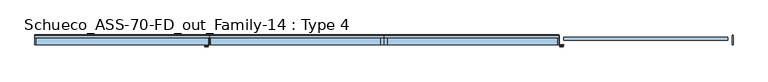
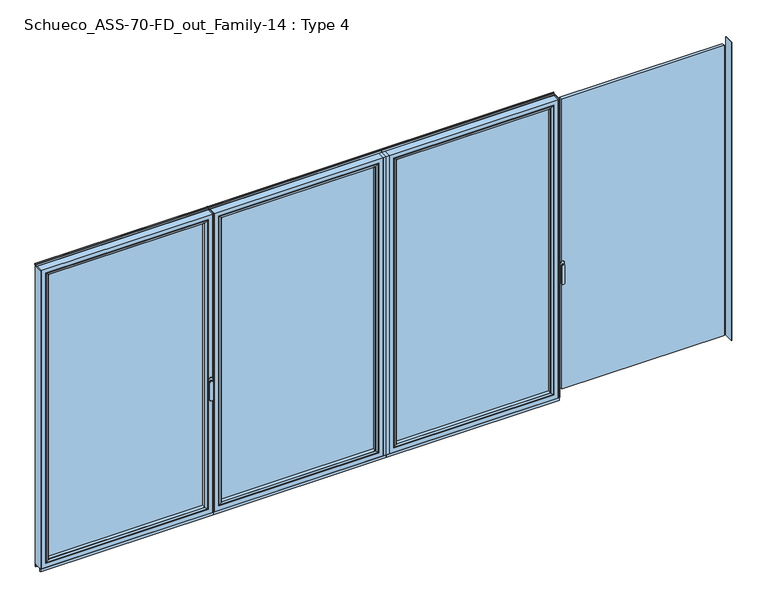
"""IFC4 building model written with IfcOpenShell, lengths in millimetres: window geometry, Schueco_ASS-70-FD_out_Family-14 : Type 4."""

from ifc_helpers import new_model, si_unit, point, frame, frame_2d, origin, place, context, project, spatial, polyline, circle_curve, ellipse_curve, trimmed, segment, composite_curve, outline, extrude, source, transform, mapped, element, save
from ifc_brep_helpers import plane_surface, cylinder_surface, extruded_surface, advanced_brep


def schueco_ass_70_fd_out_family_14_type_4_79be8c15(model_context):
    return source(origin(), model_context, "Body", "SolidModel", [
        extrude(outline(polyline([(0.0, 0.0), (22.5, 0.0), (22.5, -70.0), (0.0, -70.0), (0.0, 0.0)])), frame((0.0, 0.0, 37.5), z_axis=(0.0, 0.0, 1.0), x_axis=(1.0, 0.0, 0.0)), (0.0, 0.0, 1.0), 2299.5),
        extrude(outline(polyline([(1259.4, 0.0), (1259.4, -70.0), (1253.4, -70.0), (1253.4, 0.0), (1259.4, 0.0)])), frame((0.0, 0.0, 37.5), z_axis=(0.0, 0.0, 1.0), x_axis=(1.0, 0.0, 0.0)), (0.0, 0.0, 1.0), 2299.5),
        extrude(outline(polyline([(54.5, -13.999939), (1221.4, -13.999939), (1221.4, -37.9928974), (54.5, -37.9928974), (54.5, -13.999939)])), frame((0.0, 0.0, 69.5), z_axis=(0.0, 0.0, 1.0), x_axis=(1.0, 0.0, 0.0)), (0.0, 0.0, 1.0), 2235.5),
        advanced_brep(
        [(1199.4004272, -64.5552044, 2283.0004272), (1199.4004272, -37.9928974, 2283.0004272), (1199.4004272, -37.9928974, 91.4995728), (1199.4004272, -64.5552044, 91.4995728), (1221.4, -37.9928974, 2305.0), (1221.4, -37.9928974, 69.5), (54.5, -37.9928974, 69.5), (54.5, -37.9928974, 2305.0), (76.4995728, -37.9928974, 2283.0004272), (76.4995728, -37.9928974, 91.4995728), (76.4995728, -64.5552044, 91.4995728), (1200.1099707, -65.8045072, 2283.7099707), (1200.1099707, -65.8045072, 90.7900293), (75.7900293, -65.8045072, 90.7900293), (1215.400061, -70.0, 2299.000061), (1215.400061, -70.0, 75.499939), (60.499939, -70.0, 75.499939), (54.5, -70.0, 2305.0), (54.5, -70.0, 69.5), (1221.4, -70.0, 69.5), (1221.4, -70.0, 2305.0), (60.499939, -70.0, 2299.000061), (76.4995728, -64.5552044, 2283.0004272), (75.7900293, -65.8045072, 2283.7099707)],
        [
            (0, 1),
            (1, 2),
            (2, 3),
            (3, 0),
            (4, 5),
            (5, 6),
            (6, 7),
            (7, 4),
            (8, 9),
            (9, 2),
            (1, 8),
            (9, 10),
            (10, 3),
            (11, 0, ellipse_curve(frame((1200.8550312, -64.5552044, 2284.4550312), z_axis=(0.7071067811865475, 0.0, -0.7071067811865475), x_axis=(0.7071067811865474, 0.0, 0.7071067811865476)), 2.0571207, 1.454604)),
            (3, 12, ellipse_curve(frame((1200.8550312, -64.5552044, 90.0449688), z_axis=(0.7071067811865475, 0.0, 0.7071067811865475), x_axis=(-0.7071067811865474, 0.0, 0.7071067811865476)), 2.0571207, 1.454604)),
            (12, 11),
            (10, 13, ellipse_curve(frame((75.0449688, -64.5552044, 90.0449688), z_axis=(0.7071067811865475, 0.0, -0.7071067811865475), x_axis=(0.7071067811865476, 0.0, 0.7071067811865474)), 2.0571207, 1.454604)),
            (13, 12),
            (14, 11, ellipse_curve(frame((1215.3361254, -40.2735922, 2298.9361254), z_axis=(0.7071067811865475, 0.0, -0.7071067811865475), x_axis=(0.7071067811865474, 0.0, 0.7071067811865476)), 42.0395863, 29.7264765)),
            (12, 15, ellipse_curve(frame((1215.3361254, -40.2735922, 75.5638746), z_axis=(0.7071067811865475, 0.0, 0.7071067811865475), x_axis=(-0.7071067811865474, 0.0, 0.7071067811865476)), 42.0395863, 29.7264765)),
            (15, 14),
            (13, 16, ellipse_curve(frame((60.5638746, -40.2735922, 75.5638746), z_axis=(0.7071067811865475, 0.0, -0.7071067811865475), x_axis=(0.7071067811865476, 0.0, 0.7071067811865474)), 42.0395863, 29.7264765)),
            (16, 15),
            (17, 18),
            (18, 19),
            (19, 20),
            (20, 17),
            (16, 21),
            (21, 14),
            (4, 20),
            (19, 5),
            (18, 6),
            (8, 22),
            (22, 10),
            (22, 23, ellipse_curve(frame((75.0449688, -64.5552044, 2284.4550312), z_axis=(-0.7071067811865475, 0.0, -0.7071067811865475), x_axis=(0.7071067811865474, 0.0, -0.7071067811865476)), 2.0571207, 1.454604)),
            (23, 13),
            (23, 21, ellipse_curve(frame((60.5638746, -40.2735922, 2298.9361254), z_axis=(-0.7071067811865475, 0.0, -0.7071067811865475), x_axis=(0.7071067811865474, 0.0, -0.7071067811865476)), 42.0395863, 29.7264765)),
            (17, 7),
            (0, 22),
            (11, 23),
        ],
        [
            plane_surface(frame((1199.4004272, -37.9928974, 2283.0004272), z_axis=(-1.0, 0.0, 0.0), x_axis=(0.0, 0.0, -1.0))),
            plane_surface(frame((54.5, -37.9928974, 69.5), z_axis=(0.0, 1.0, 0.0), x_axis=(0.0, 0.0, 1.0))),
            plane_surface(frame((1199.4004272, -37.9928974, 91.4995728), z_axis=(0.0, 0.0, 1.0), x_axis=(-1.0, 0.0, 0.0))),
            cylinder_surface(frame((1200.8550312, -64.5552044, 2283.0004272), z_axis=(0.0, 0.0, 1.0), x_axis=(1.0, 0.0, 0.0)), 1.454604),
            cylinder_surface(frame((1199.4004272, -64.5552044, 90.0449688), z_axis=(1.0, 0.0, 0.0), x_axis=(0.0, 0.0, -1.0)), 1.454604),
            cylinder_surface(frame((1215.3361254, -40.2735922, 2283.0004272), z_axis=(0.0, 0.0, 1.0), x_axis=(1.0, 0.0, 0.0)), 29.7264765),
            cylinder_surface(frame((1199.4004272, -40.2735922, 75.5638746), z_axis=(1.0, 0.0, 0.0), x_axis=(0.0, 0.0, -1.0)), 29.7264765),
            plane_surface(frame((60.499939, -70.0, 75.499939), z_axis=(0.0, -1.0, 0.0), x_axis=(0.0, 0.0, 1.0))),
            plane_surface(frame((1221.4, -70.0, 2305.0), z_axis=(1.0, 0.0, 0.0), x_axis=(0.0, 0.0, -1.0))),
            plane_surface(frame((1221.4, -70.0, 69.5), z_axis=(0.0, 0.0, -1.0), x_axis=(-1.0, 0.0, 0.0))),
            plane_surface(frame((76.4995728, -37.9928974, 91.4995728), z_axis=(1.0, 0.0, 0.0), x_axis=(0.0, 0.0, 1.0))),
            cylinder_surface(frame((75.0449688, -64.5552044, 91.4995728), z_axis=(0.0, 0.0, -1.0), x_axis=(-1.0, 0.0, 0.0)), 1.454604),
            cylinder_surface(frame((60.5638746, -40.2735922, 91.4995728), z_axis=(0.0, 0.0, -1.0), x_axis=(-1.0, 0.0, 0.0)), 29.7264765),
            plane_surface(frame((54.5, -70.0, 69.5), z_axis=(-1.0, 0.0, 0.0), x_axis=(0.0, 0.0, 1.0))),
            plane_surface(frame((76.4995728, -37.9928974, 2283.0004272), z_axis=(0.0, 0.0, -1.0), x_axis=(1.0, 0.0, 0.0))),
            cylinder_surface(frame((76.4995728, -64.5552044, 2284.4550312), z_axis=(-1.0, 0.0, 0.0), x_axis=(0.0, 0.0, 1.0)), 1.454604),
            cylinder_surface(frame((76.4995728, -40.2735922, 2298.9361254), z_axis=(-1.0, 0.0, 0.0), x_axis=(0.0, 0.0, 1.0)), 29.7264765),
            plane_surface(frame((54.5, -70.0, 2305.0), z_axis=(0.0, 0.0, 1.0), x_axis=(1.0, 0.0, 0.0))),
        ],
        [
            (0, [[1, 2, 3, 4]]),
            (1, [[5, 6, 7, 8], [9, 10, -2, 11]]),
            (2, [[-3, -10, 12, 13]]),
            (3, [[14, -4, 15, 16]]),
            (4, [[-15, -13, 17, 18]]),
            (5, [[19, -16, 20, 21]]),
            (6, [[-20, -18, 22, 23]]),
            (7, [[24, 25, 26, 27], [-21, -23, 28, 29]]),
            (8, [[30, -26, 31, -5]]),
            (9, [[-31, -25, 32, -6]]),
            (10, [[-12, -9, 33, 34]]),
            (11, [[-17, -34, 35, 36]]),
            (12, [[-22, -36, 37, -28]]),
            (13, [[-32, -24, 38, -7]]),
            (14, [[-33, -11, -1, 39]]),
            (15, [[-35, -39, -14, 40]]),
            (16, [[-37, -40, -19, -29]]),
            (17, [[-38, -27, -30, -8]]),
        ],
    ),
        advanced_brep(
        [(22.5, -70.0, 2337.0), (22.5, 0.0, 2337.0), (22.5, 0.0, 37.5), (22.5, -70.0, 37.5), (1253.4, 0.0, 37.5), (1253.4, -70.0, 37.5), (1253.4, 0.0, 2337.0), (1203.9008099, 0.0, 86.9991901), (1203.9008099, 0.0, 2287.5008099), (71.9991901, 0.0, 2287.5008099), (71.9991901, 0.0, 86.9991901), (1253.4, -70.0, 2337.0), (54.5, -70.0, 69.5), (54.5, -70.0, 2305.0), (1221.4, -70.0, 2305.0), (1221.4, -70.0, 69.5), (54.5, -13.999939, 2305.0), (54.5, -13.999939, 69.5), (1221.4, -13.999939, 69.5), (1221.4, -13.999939, 2305.0), (76.4995728, -13.999939, 91.4995728), (76.4995728, -13.999939, 2283.0004272), (1199.4004272, -13.999939, 2283.0004272), (1199.4004272, -13.999939, 91.4995728), (76.4995728, -4.5004435, 2283.0004272), (76.4995728, -4.5004435, 91.4995728), (1199.4004272, -4.5004435, 91.4995728), (1199.4004272, -4.5004435, 2283.0004272)],
        [
            (0, 1),
            (1, 2),
            (2, 3),
            (3, 0),
            (2, 4),
            (4, 5),
            (5, 3),
            (1, 6),
            (6, 4),
            (7, 8),
            (8, 9),
            (9, 10),
            (10, 7),
            (6, 11),
            (11, 5),
            (11, 0),
            (12, 13),
            (13, 14),
            (14, 15),
            (15, 12),
            (16, 13),
            (12, 17),
            (17, 16),
            (15, 18),
            (18, 17),
            (14, 19),
            (19, 18),
            (19, 16),
            (20, 21),
            (21, 22),
            (22, 23),
            (23, 20),
            (24, 21),
            (20, 25),
            (25, 24),
            (23, 26),
            (26, 25),
            (22, 27),
            (27, 26),
            (10, 25, ellipse_curve(frame((71.9991901, -4.5004435, 86.9991901), z_axis=(0.7071067811865475, 0.0, -0.7071067811865475), x_axis=(-0.7071067811865476, 0.0, -0.7071067811865474)), 6.3645023, 4.5003827)),
            (26, 7, ellipse_curve(frame((1203.9008099, -4.5004435, 86.9991901), z_axis=(-0.7071067811865475, 0.0, -0.7071067811865475), x_axis=(-0.7071067811865476, 0.0, 0.7071067811865474)), 6.3645023, 4.5003827)),
            (9, 24, ellipse_curve(frame((71.9991901, -4.5004435, 2287.5008099), z_axis=(-0.7071067811865475, 0.0, -0.7071067811865475), x_axis=(-0.7071067811865474, 0.0, 0.7071067811865476)), 6.3645023, 4.5003827)),
            (27, 8, ellipse_curve(frame((1203.9008099, -4.5004435, 2287.5008099), z_axis=(0.7071067811865475, 0.0, -0.7071067811865475), x_axis=(-0.7071067811865474, 0.0, -0.7071067811865476)), 6.3645023, 4.5003827)),
            (24, 27),
        ],
        [
            plane_surface(frame((22.5, 0.0, 2337.0), z_axis=(-1.0, 0.0, 0.0), x_axis=(0.0, 0.0, -1.0))),
            plane_surface(frame((22.5, 0.0, 37.5), z_axis=(0.0, 0.0, -1.0), x_axis=(1.0, 0.0, 0.0))),
            plane_surface(frame((71.9991901, 0.0, 2287.5008099), z_axis=(0.0, 1.0, 0.0), x_axis=(0.0, 0.0, -1.0))),
            plane_surface(frame((1253.4, 0.0, 37.5), z_axis=(1.0, 0.0, 0.0), x_axis=(0.0, 0.0, 1.0))),
            plane_surface(frame((22.5, -70.0, 2337.0), z_axis=(0.0, -1.0, 0.0), x_axis=(0.0, 0.0, -1.0))),
            plane_surface(frame((54.5, -70.0, 2305.0), z_axis=(1.0, 0.0, 0.0), x_axis=(0.0, 0.0, -1.0))),
            plane_surface(frame((54.5, -70.0, 69.5), z_axis=(0.0, 0.0, 1.0), x_axis=(1.0, 0.0, 0.0))),
            plane_surface(frame((1221.4, -70.0, 69.5), z_axis=(-1.0, 0.0, 0.0), x_axis=(0.0, 0.0, 1.0))),
            plane_surface(frame((54.5, -13.999939, 2305.0), z_axis=(0.0, -1.0, 0.0), x_axis=(0.0, 0.0, -1.0))),
            plane_surface(frame((76.4995728, -13.999939, 2283.0004272), z_axis=(1.0, 0.0, 0.0), x_axis=(0.0, 0.0, -1.0))),
            plane_surface(frame((76.4995728, -13.999939, 91.4995728), z_axis=(0.0, 0.0, 1.0), x_axis=(1.0, 0.0, 0.0))),
            plane_surface(frame((1199.4004272, -13.999939, 91.4995728), z_axis=(-1.0, 0.0, 0.0), x_axis=(0.0, 0.0, 1.0))),
            cylinder_surface(frame((16.5, -4.5004435, 86.9991901), z_axis=(-1.0, 0.0, 0.0), x_axis=(0.0, -1.0, 0.0)), 4.5003827),
            cylinder_surface(frame((71.9991901, -4.5004435, 2343.0), z_axis=(0.0, 0.0, 1.0), x_axis=(0.0, -1.0, 0.0)), 4.5003827),
            cylinder_surface(frame((1203.9008099, -4.5004435, 31.5), z_axis=(0.0, 0.0, -1.0), x_axis=(0.0, -1.0, 0.0)), 4.5003827),
            plane_surface(frame((1253.4, 0.0, 2337.0), z_axis=(0.0, 0.0, 1.0), x_axis=(-1.0, 0.0, 0.0))),
            plane_surface(frame((1221.4, -70.0, 2305.0), z_axis=(0.0, 0.0, -1.0), x_axis=(-1.0, 0.0, 0.0))),
            plane_surface(frame((1199.4004272, -13.999939, 2283.0004272), z_axis=(0.0, 0.0, -1.0), x_axis=(-1.0, 0.0, 0.0))),
            cylinder_surface(frame((1259.4, -4.5004435, 2287.5008099), z_axis=(1.0, 0.0, 0.0), x_axis=(0.0, -1.0, 0.0)), 4.5003827),
        ],
        [
            (0, [[1, 2, 3, 4]]),
            (1, [[-3, 5, 6, 7]]),
            (2, [[-2, 8, 9, -5], [10, 11, 12, 13]]),
            (3, [[-6, -9, 14, 15]]),
            (4, [[-15, 16, -4, -7], [17, 18, 19, 20]]),
            (5, [[21, -17, 22, 23]]),
            (6, [[-22, -20, 24, 25]]),
            (7, [[-24, -19, 26, 27]]),
            (8, [[-27, 28, -23, -25], [29, 30, 31, 32]]),
            (9, [[33, -29, 34, 35]]),
            (10, [[-34, -32, 36, 37]]),
            (11, [[-36, -31, 38, 39]]),
            (12, [[40, -37, 41, -13]]),
            (13, [[42, -35, -40, -12]]),
            (14, [[-41, -39, 43, -10]]),
            (15, [[-14, -8, -1, -16]]),
            (16, [[-26, -18, -21, -28]]),
            (17, [[-38, -30, -33, 44]]),
            (18, [[-43, -44, -42, -11]]),
        ],
    ),
        extrude(outline(polyline([(0.0, -7.6000076), (0.0, 0.0), (1259.4, 0.0), (1259.4, -7.6000076), (0.0, -7.6000076)])), frame((0.0, 0.0, 15.4995117), z_axis=(0.0, 0.0, 1.0), x_axis=(1.0, 0.0, 0.0)), (0.0, 0.0, 1.0), 22.0004883),
        extrude(outline(polyline([(0.0, -70.0), (0.0, -62.2757497), (1259.4, -62.2757497), (1259.4, -70.0), (0.0, -70.0)])), frame((0.0, 0.0, 15.4995117), z_axis=(0.0, 0.0, 1.0), x_axis=(1.0, 0.0, 0.0)), (0.0, 0.0, 1.0), 22.0004883),
        extrude(outline(composite_curve([segment(polyline([(-17.955674, 2339.1400778), (-1.3636404, 2339.1400778), (0.0, 2342.963961), (0.0, 2348.6420698), (0.8937897, 2348.6420698), (1.8738669, 2344.9939222)]), True, "CONTINUOUS"), segment(trimmed(circle_curve(frame_2d((-0.0576456, 2344.4750201)), 2.0), [point((1.8738669, 2344.9939222))], [point((1.8735116, 2343.9547971))], False, "CARTESIAN"), True, "CONTINUOUS"), segment(polyline([(1.8735116, 2343.9547971), (0.0, 2337.0), (-17.955674, 2337.0), (-17.955674, 2339.1400778)]), True, "CONTINUOUS")], self_intersect=False)), frame((0.0, 0.0, 0.0), z_axis=(1.0, 0.0, 0.0), x_axis=(0.0, 1.0, 0.0)), (0.0, 0.0, 1.0), 1259.4),
        advanced_brep(
        [(-1293.3886308, -73.5, 1050.0), (-1269.4113692, -73.5, 1050.0), (-1269.4113692, -76.8965533, 1050.0), (-1293.3886308, -76.8965533, 1050.0), (-1293.3886308, -84.5, 1050.0), (-1293.3886308, -84.5, 918.6867153), (-1269.4113692, -84.5, 918.6867153), (-1269.4113692, -84.5, 1050.0), (-1269.4113692, -76.8965533, 918.6867153), (-1293.3886308, -76.8965533, 918.6867153)],
        [
            (0, 1, circle_curve(frame((-1281.4, -73.5, 1050.0), z_axis=(0.0, 1.0, 0.0), x_axis=(1.0, 0.0, 0.0)), 11.9886308)),
            (1, 0, circle_curve(frame((-1281.4, -73.5, 1050.0), z_axis=(0.0, 1.0, 0.0), x_axis=(1.0, 0.0, 0.0)), 11.9886308)),
            (1, 2),
            (2, 3, circle_curve(frame((-1281.4, -76.8965533, 1050.0), z_axis=(0.0, 1.0, 0.0), x_axis=(1.0, 0.0, 0.0)), 11.9886308)),
            (3, 0),
            (3, 2, circle_curve(frame((-1281.4, -76.8965533, 1050.0), z_axis=(0.0, 1.0, 0.0), x_axis=(1.0, 0.0, 0.0)), 11.9886308)),
            (4, 5),
            (5, 6, ellipse_curve(frame((-1281.4, -84.5, 918.6867153), z_axis=(0.0, -1.0, 0.0), x_axis=(-1.0, 0.0, 0.0)), 11.9886308, 7.9050795)),
            (6, 7),
            (7, 4, circle_curve(frame((-1281.4, -84.5, 1050.0), z_axis=(0.0, -1.0, 0.0), x_axis=(1.0, 0.0, 0.0)), 11.9886308)),
            (2, 8),
            (8, 9, ellipse_curve(frame((-1281.4, -76.8965533, 918.6867153), z_axis=(0.0, 1.0, 0.0), x_axis=(-1.0, 0.0, 0.0)), 11.9886308, 7.9050795)),
            (9, 3),
            (4, 3),
            (9, 5),
            (8, 6),
            (2, 7),
        ],
        [
            plane_surface(frame((-1269.4113692, -73.5, 1050.0), z_axis=(0.0, 1.0, 0.0), x_axis=(0.0, 0.0, -1.0))),
            cylinder_surface(frame((-1281.4, -73.5, 1050.0), z_axis=(0.0, -1.0, 0.0), x_axis=(1.0, 0.0, 0.0)), 11.9886308),
            plane_surface(frame((-1293.3886308, -84.5, 928.3382074), z_axis=(0.0, -1.0, 0.0), x_axis=(0.0, 0.0, -1.0))),
            plane_surface(frame((-1293.3886308, -76.8965533, 928.3382074), z_axis=(0.0, 1.0, 0.0), x_axis=(0.0, 0.0, 1.0))),
            plane_surface(frame((-1293.3886308, -84.5, 1050.0), z_axis=(-1.0, 0.0, 0.0), x_axis=(0.0, 1.0, 0.0))),
            extruded_surface(trimmed(ellipse_curve(frame((-1281.4, -69.2931066, 918.6867153), z_axis=(0.0, -1.0, 0.0), x_axis=(-1.0, 0.0, 0.0)), 11.9886308, 7.9050795), [point((-1293.3886308, -69.2931066, 918.6867153))], [point((-1269.4113692, -69.2931066, 918.6867153))], True, "CARTESIAN"), (0.0, -7.603446699999992, 0.0), 7.603446699999992),
            plane_surface(frame((-1269.4113692, -84.5, 918.6867153), z_axis=(1.0, 0.0, 0.0), x_axis=(0.0, 1.0, 0.0))),
            cylinder_surface(frame((-1281.4, -76.8965533, 1050.0), z_axis=(0.0, -1.0, 0.0), x_axis=(1.0, 0.0, 0.0)), 11.9886308),
        ],
        [
            (0, [[1, 2]]),
            (1, [[-2, 3, 4, 5]]),
            (1, [[-1, -5, 6, -3]]),
            (2, [[7, 8, 9, 10]]),
            (3, [[11, 12, 13, -4]]),
            (4, [[-7, 14, -13, 15]]),
            (5, [[-8, -15, -12, 16]]),
            (6, [[-9, -16, -11, 17]]),
            (7, [[-10, -17, -6, -14]]),
        ],
    ),
        extrude(outline(composite_curve([segment(polyline([(1068.75, -1295.4), (1031.25, -1295.4)]), True, "CONTINUOUS"), segment(trimmed(circle_curve(frame_2d((1031.25, -1281.4)), 14.0), [point((1031.25, -1295.4))], [point((1031.25, -1267.4))], False, "CARTESIAN"), True, "CONTINUOUS"), segment(polyline([(1031.25, -1267.4), (1068.75, -1267.4)]), True, "CONTINUOUS"), segment(trimmed(circle_curve(frame_2d((1068.75, -1281.4)), 14.0), [point((1068.75, -1267.4))], [point((1068.75, -1295.4))], False, "CARTESIAN"), True, "CONTINUOUS")], self_intersect=False)), frame((0.0, -73.5, 0.0), z_axis=(0.0, 1.0, 0.0), x_axis=(0.0, 0.0, 1.0)), (0.0, 0.0, 1.0), 3.5),
        extrude(outline(polyline([(-2518.8, 0.0), (-2512.8, 0.0), (-2512.8, -70.0), (-2518.8, -70.0), (-2518.8, 0.0)])), frame((0.0, 0.0, 37.5), z_axis=(0.0, 0.0, 1.0), x_axis=(1.0, 0.0, 0.0)), (0.0, 0.0, 1.0), 2299.5),
        extrude(outline(polyline([(-1259.4, 0.0), (-1259.4, -70.0), (-1265.4, -70.0), (-1265.4, 0.0), (-1259.4, 0.0)])), frame((0.0, 0.0, 37.5), z_axis=(0.0, 0.0, 1.0), x_axis=(1.0, 0.0, 0.0)), (0.0, 0.0, 1.0), 2299.5),
        extrude(outline(polyline([(-2480.8, -13.999939), (-1297.4, -13.999939), (-1297.4, -37.9928974), (-2480.8, -37.9928974), (-2480.8, -13.999939)])), frame((0.0, 0.0, 69.5), z_axis=(0.0, 0.0, 1.0), x_axis=(1.0, 0.0, 0.0)), (0.0, 0.0, 1.0), 2235.5),
        advanced_brep(
        [(-1319.3995728, -64.5552044, 2283.0004272), (-1319.3995728, -37.9928974, 2283.0004272), (-1319.3995728, -37.9928974, 91.4995728), (-1319.3995728, -64.5552044, 91.4995728), (-1297.4, -37.9928974, 2305.0), (-1297.4, -37.9928974, 69.5), (-2480.8, -37.9928974, 69.5), (-2480.8, -37.9928974, 2305.0), (-2458.8004272, -37.9928974, 2283.0004272), (-2458.8004272, -37.9928974, 91.4995728), (-2458.8004272, -64.5552044, 91.4995728), (-1318.6900293, -65.8045072, 2283.7099707), (-1318.6900293, -65.8045072, 90.7900293), (-2459.5099707, -65.8045072, 90.7900293), (-1303.399939, -70.0, 2299.000061), (-1303.399939, -70.0, 75.499939), (-2474.800061, -70.0, 75.499939), (-2480.8, -70.0, 2305.0), (-2480.8, -70.0, 69.5), (-1297.4, -70.0, 69.5), (-1297.4, -70.0, 2305.0), (-2474.800061, -70.0, 2299.000061), (-2458.8004272, -64.5552044, 2283.0004272), (-2459.5099707, -65.8045072, 2283.7099707)],
        [
            (0, 1),
            (1, 2),
            (2, 3),
            (3, 0),
            (4, 5),
            (5, 6),
            (6, 7),
            (7, 4),
            (8, 9),
            (9, 2),
            (1, 8),
            (9, 10),
            (10, 3),
            (11, 0, ellipse_curve(frame((-1317.9449688, -64.5552044, 2284.4550312), z_axis=(0.7071067811865475, 0.0, -0.7071067811865475), x_axis=(0.7071067811865474, 0.0, 0.7071067811865476)), 2.0571207, 1.454604)),
            (3, 12, ellipse_curve(frame((-1317.9449688, -64.5552044, 90.0449688), z_axis=(0.7071067811865475, 0.0, 0.7071067811865475), x_axis=(-0.7071067811865474, 0.0, 0.7071067811865476)), 2.0571207, 1.454604)),
            (12, 11),
            (10, 13, ellipse_curve(frame((-2460.2550312, -64.5552044, 90.0449688), z_axis=(0.7071067811865475, 0.0, -0.7071067811865475), x_axis=(0.7071067811865476, 0.0, 0.7071067811865474)), 2.0571207, 1.454604)),
            (13, 12),
            (14, 11, ellipse_curve(frame((-1303.4638746, -40.2735922, 2298.9361254), z_axis=(0.7071067811865475, 0.0, -0.7071067811865475), x_axis=(0.7071067811865474, 0.0, 0.7071067811865476)), 42.0395863, 29.7264765)),
            (12, 15, ellipse_curve(frame((-1303.4638746, -40.2735922, 75.5638746), z_axis=(0.7071067811865475, 0.0, 0.7071067811865475), x_axis=(-0.7071067811865474, 0.0, 0.7071067811865476)), 42.0395863, 29.7264765)),
            (15, 14),
            (13, 16, ellipse_curve(frame((-2474.7361254, -40.2735922, 75.5638746), z_axis=(0.7071067811865475, 0.0, -0.7071067811865475), x_axis=(0.7071067811865476, 0.0, 0.7071067811865474)), 42.0395863, 29.7264765)),
            (16, 15),
            (17, 18),
            (18, 19),
            (19, 20),
            (20, 17),
            (16, 21),
            (21, 14),
            (4, 20),
            (19, 5),
            (18, 6),
            (8, 22),
            (22, 10),
            (22, 23, ellipse_curve(frame((-2460.2550312, -64.5552044, 2284.4550312), z_axis=(-0.7071067811865475, 0.0, -0.7071067811865475), x_axis=(0.7071067811865474, 0.0, -0.7071067811865476)), 2.0571207, 1.454604)),
            (23, 13),
            (23, 21, ellipse_curve(frame((-2474.7361254, -40.2735922, 2298.9361254), z_axis=(-0.7071067811865475, 0.0, -0.7071067811865475), x_axis=(0.7071067811865474, 0.0, -0.7071067811865476)), 42.0395863, 29.7264765)),
            (17, 7),
            (0, 22),
            (11, 23),
        ],
        [
            plane_surface(frame((-1319.3995728, -37.9928974, 2283.0004272), z_axis=(-1.0, 0.0, 0.0), x_axis=(0.0, 0.0, -1.0))),
            plane_surface(frame((-2480.8, -37.9928974, 69.5), z_axis=(0.0, 1.0, 0.0), x_axis=(0.0, 0.0, 1.0))),
            plane_surface(frame((-1319.3995728, -37.9928974, 91.4995728), z_axis=(0.0, 0.0, 1.0), x_axis=(-1.0, 0.0, 0.0))),
            cylinder_surface(frame((-1317.9449688, -64.5552044, 2283.0004272), z_axis=(0.0, 0.0, 1.0), x_axis=(1.0, 0.0, 0.0)), 1.454604),
            cylinder_surface(frame((-1319.3995728, -64.5552044, 90.0449688), z_axis=(1.0, 0.0, 0.0), x_axis=(0.0, 0.0, -1.0)), 1.454604),
            cylinder_surface(frame((-1303.4638746, -40.2735922, 2283.0004272), z_axis=(0.0, 0.0, 1.0), x_axis=(1.0, 0.0, 0.0)), 29.7264765),
            cylinder_surface(frame((-1319.3995728, -40.2735922, 75.5638746), z_axis=(1.0, 0.0, 0.0), x_axis=(0.0, 0.0, -1.0)), 29.7264765),
            plane_surface(frame((-2474.800061, -70.0, 75.499939), z_axis=(0.0, -1.0, 0.0), x_axis=(0.0, 0.0, 1.0))),
            plane_surface(frame((-1297.4, -70.0, 2305.0), z_axis=(1.0, 0.0, 0.0), x_axis=(0.0, 0.0, -1.0))),
            plane_surface(frame((-1297.4, -70.0, 69.5), z_axis=(0.0, 0.0, -1.0), x_axis=(-1.0, 0.0, 0.0))),
            plane_surface(frame((-2458.8004272, -37.9928974, 91.4995728), z_axis=(1.0, 0.0, 0.0), x_axis=(0.0, 0.0, 1.0))),
            cylinder_surface(frame((-2460.2550312, -64.5552044, 91.4995728), z_axis=(0.0, 0.0, -1.0), x_axis=(-1.0, 0.0, 0.0)), 1.454604),
            cylinder_surface(frame((-2474.7361254, -40.2735922, 91.4995728), z_axis=(0.0, 0.0, -1.0), x_axis=(-1.0, 0.0, 0.0)), 29.7264765),
            plane_surface(frame((-2480.8, -70.0, 69.5), z_axis=(-1.0, 0.0, 0.0), x_axis=(0.0, 0.0, 1.0))),
            plane_surface(frame((-2458.8004272, -37.9928974, 2283.0004272), z_axis=(0.0, 0.0, -1.0), x_axis=(1.0, 0.0, 0.0))),
            cylinder_surface(frame((-2458.8004272, -64.5552044, 2284.4550312), z_axis=(-1.0, 0.0, 0.0), x_axis=(0.0, 0.0, 1.0)), 1.454604),
            cylinder_surface(frame((-2458.8004272, -40.2735922, 2298.9361254), z_axis=(-1.0, 0.0, 0.0), x_axis=(0.0, 0.0, 1.0)), 29.7264765),
            plane_surface(frame((-2480.8, -70.0, 2305.0), z_axis=(0.0, 0.0, 1.0), x_axis=(1.0, 0.0, 0.0))),
        ],
        [
            (0, [[1, 2, 3, 4]]),
            (1, [[5, 6, 7, 8], [9, 10, -2, 11]]),
            (2, [[-3, -10, 12, 13]]),
            (3, [[14, -4, 15, 16]]),
            (4, [[-15, -13, 17, 18]]),
            (5, [[19, -16, 20, 21]]),
            (6, [[-20, -18, 22, 23]]),
            (7, [[24, 25, 26, 27], [-21, -23, 28, 29]]),
            (8, [[30, -26, 31, -5]]),
            (9, [[-31, -25, 32, -6]]),
            (10, [[-12, -9, 33, 34]]),
            (11, [[-17, -34, 35, 36]]),
            (12, [[-22, -36, 37, -28]]),
            (13, [[-32, -24, 38, -7]]),
            (14, [[-33, -11, -1, 39]]),
            (15, [[-35, -39, -14, 40]]),
            (16, [[-37, -40, -19, -29]]),
            (17, [[-38, -27, -30, -8]]),
        ],
    ),
        advanced_brep(
        [(-2512.8, -70.0, 2337.0), (-2512.8, 0.0, 2337.0), (-2512.8, 0.0, 37.5), (-2512.8, -70.0, 37.5), (-1265.4, 0.0, 37.5), (-1265.4, -70.0, 37.5), (-1265.4, 0.0, 2337.0), (-1314.8991901, 0.0, 86.9991901), (-1314.8991901, 0.0, 2287.5008099), (-2463.3008099, 0.0, 2287.5008099), (-2463.3008099, 0.0, 86.9991901), (-1265.4, -70.0, 2337.0), (-2480.8, -70.0, 69.5), (-2480.8, -70.0, 2305.0), (-1297.4, -70.0, 2305.0), (-1297.4, -70.0, 69.5), (-2480.8, -13.999939, 2305.0), (-2480.8, -13.999939, 69.5), (-1297.4, -13.999939, 69.5), (-1297.4, -13.999939, 2305.0), (-2458.8004272, -13.999939, 91.4995728), (-2458.8004272, -13.999939, 2283.0004272), (-1319.3995728, -13.999939, 2283.0004272), (-1319.3995728, -13.999939, 91.4995728), (-2458.8004272, -4.5004435, 2283.0004272), (-2458.8004272, -4.5004435, 91.4995728), (-1319.3995728, -4.5004435, 91.4995728), (-1319.3995728, -4.5004435, 2283.0004272)],
        [
            (0, 1),
            (1, 2),
            (2, 3),
            (3, 0),
            (2, 4),
            (4, 5),
            (5, 3),
            (1, 6),
            (6, 4),
            (7, 8),
            (8, 9),
            (9, 10),
            (10, 7),
            (6, 11),
            (11, 5),
            (11, 0),
            (12, 13),
            (13, 14),
            (14, 15),
            (15, 12),
            (16, 13),
            (12, 17),
            (17, 16),
            (15, 18),
            (18, 17),
            (14, 19),
            (19, 18),
            (19, 16),
            (20, 21),
            (21, 22),
            (22, 23),
            (23, 20),
            (24, 21),
            (20, 25),
            (25, 24),
            (23, 26),
            (26, 25),
            (22, 27),
            (27, 26),
            (10, 25, ellipse_curve(frame((-2463.3008099, -4.5004435, 86.9991901), z_axis=(0.7071067811865475, 0.0, -0.7071067811865475), x_axis=(-0.7071067811865476, 0.0, -0.7071067811865474)), 6.3645023, 4.5003827)),
            (26, 7, ellipse_curve(frame((-1314.8991901, -4.5004435, 86.9991901), z_axis=(-0.7071067811865475, 0.0, -0.7071067811865475), x_axis=(-0.7071067811865476, 0.0, 0.7071067811865474)), 6.3645023, 4.5003827)),
            (9, 24, ellipse_curve(frame((-2463.3008099, -4.5004435, 2287.5008099), z_axis=(-0.7071067811865475, 0.0, -0.7071067811865475), x_axis=(-0.7071067811865474, 0.0, 0.7071067811865476)), 6.3645023, 4.5003827)),
            (27, 8, ellipse_curve(frame((-1314.8991901, -4.5004435, 2287.5008099), z_axis=(0.7071067811865475, 0.0, -0.7071067811865475), x_axis=(-0.7071067811865474, 0.0, -0.7071067811865476)), 6.3645023, 4.5003827)),
            (24, 27),
        ],
        [
            plane_surface(frame((-2512.8, 0.0, 2337.0), z_axis=(-1.0, 0.0, 0.0), x_axis=(0.0, 0.0, -1.0))),
            plane_surface(frame((-2512.8, 0.0, 37.5), z_axis=(0.0, 0.0, -1.0), x_axis=(1.0, 0.0, 0.0))),
            plane_surface(frame((-2463.3008099, 0.0, 2287.5008099), z_axis=(0.0, 1.0, 0.0), x_axis=(0.0, 0.0, -1.0))),
            plane_surface(frame((-1265.4, 0.0, 37.5), z_axis=(1.0, 0.0, 0.0), x_axis=(0.0, 0.0, 1.0))),
            plane_surface(frame((-2512.8, -70.0, 2337.0), z_axis=(0.0, -1.0, 0.0), x_axis=(0.0, 0.0, -1.0))),
            plane_surface(frame((-2480.8, -70.0, 2305.0), z_axis=(1.0, 0.0, 0.0), x_axis=(0.0, 0.0, -1.0))),
            plane_surface(frame((-2480.8, -70.0, 69.5), z_axis=(0.0, 0.0, 1.0), x_axis=(1.0, 0.0, 0.0))),
            plane_surface(frame((-1297.4, -70.0, 69.5), z_axis=(-1.0, 0.0, 0.0), x_axis=(0.0, 0.0, 1.0))),
            plane_surface(frame((-2480.8, -13.999939, 2305.0), z_axis=(0.0, -1.0, 0.0), x_axis=(0.0, 0.0, -1.0))),
            plane_surface(frame((-2458.8004272, -13.999939, 2283.0004272), z_axis=(1.0, 0.0, 0.0), x_axis=(0.0, 0.0, -1.0))),
            plane_surface(frame((-2458.8004272, -13.999939, 91.4995728), z_axis=(0.0, 0.0, 1.0), x_axis=(1.0, 0.0, 0.0))),
            plane_surface(frame((-1319.3995728, -13.999939, 91.4995728), z_axis=(-1.0, 0.0, 0.0), x_axis=(0.0, 0.0, 1.0))),
            cylinder_surface(frame((-2518.8, -4.5004435, 86.9991901), z_axis=(-1.0, 0.0, 0.0), x_axis=(0.0, -1.0, 0.0)), 4.5003827),
            cylinder_surface(frame((-2463.3008099, -4.5004435, 2343.0), z_axis=(0.0, 0.0, 1.0), x_axis=(0.0, -1.0, 0.0)), 4.5003827),
            cylinder_surface(frame((-1314.8991901, -4.5004435, 31.5), z_axis=(0.0, 0.0, -1.0), x_axis=(0.0, -1.0, 0.0)), 4.5003827),
            plane_surface(frame((-1265.4, 0.0, 2337.0), z_axis=(0.0, 0.0, 1.0), x_axis=(-1.0, 0.0, 0.0))),
            plane_surface(frame((-1297.4, -70.0, 2305.0), z_axis=(0.0, 0.0, -1.0), x_axis=(-1.0, 0.0, 0.0))),
            plane_surface(frame((-1319.3995728, -13.999939, 2283.0004272), z_axis=(0.0, 0.0, -1.0), x_axis=(-1.0, 0.0, 0.0))),
            cylinder_surface(frame((-1259.4, -4.5004435, 2287.5008099), z_axis=(1.0, 0.0, 0.0), x_axis=(0.0, -1.0, 0.0)), 4.5003827),
        ],
        [
            (0, [[1, 2, 3, 4]]),
            (1, [[-3, 5, 6, 7]]),
            (2, [[-2, 8, 9, -5], [10, 11, 12, 13]]),
            (3, [[-6, -9, 14, 15]]),
            (4, [[-15, 16, -4, -7], [17, 18, 19, 20]]),
            (5, [[21, -17, 22, 23]]),
            (6, [[-22, -20, 24, 25]]),
            (7, [[-24, -19, 26, 27]]),
            (8, [[-27, 28, -23, -25], [29, 30, 31, 32]]),
            (9, [[33, -29, 34, 35]]),
            (10, [[-34, -32, 36, 37]]),
            (11, [[-36, -31, 38, 39]]),
            (12, [[40, -37, 41, -13]]),
            (13, [[42, -35, -40, -12]]),
            (14, [[-41, -39, 43, -10]]),
            (15, [[-14, -8, -1, -16]]),
            (16, [[-26, -18, -21, -28]]),
            (17, [[-38, -30, -33, 44]]),
            (18, [[-43, -44, -42, -11]]),
        ],
    ),
        extrude(outline(polyline([(-2518.8, -7.6000076), (-2518.8, 0.0), (-1259.4, 0.0), (-1259.4, -7.6000076), (-2518.8, -7.6000076)])), frame((0.0, 0.0, 15.4995117), z_axis=(0.0, 0.0, 1.0), x_axis=(1.0, 0.0, 0.0)), (0.0, 0.0, 1.0), 22.0004883),
        extrude(outline(polyline([(-2518.8, -70.0), (-2518.8, -62.2757497), (-1259.4, -62.2757497), (-1259.4, -70.0), (-2518.8, -70.0)])), frame((0.0, 0.0, 15.4995117), z_axis=(0.0, 0.0, 1.0), x_axis=(1.0, 0.0, 0.0)), (0.0, 0.0, 1.0), 22.0004883),
        extrude(outline(composite_curve([segment(polyline([(-17.955674, 2339.1400778), (-1.3636404, 2339.1400778), (0.0, 2342.963961), (0.0, 2348.6420698), (0.8937897, 2348.6420698), (1.8738669, 2344.9939222)]), True, "CONTINUOUS"), segment(trimmed(circle_curve(frame_2d((-0.0576456, 2344.4750201)), 2.0), [point((1.8738669, 2344.9939222))], [point((1.8735116, 2343.9547971))], False, "CARTESIAN"), True, "CONTINUOUS"), segment(polyline([(1.8735116, 2343.9547971), (0.0, 2337.0), (-17.955674, 2337.0), (-17.955674, 2339.1400778)]), True, "CONTINUOUS")], self_intersect=False)), frame((-2518.8, 0.0, 0.0), z_axis=(1.0, 0.0, 0.0), x_axis=(0.0, 1.0, 0.0)), (0.0, 0.0, 1.0), 1259.4),
        extrude(outline(polyline([(0.0, 0.0), (0.0, -70.0), (-22.5, -70.0), (-22.5, 0.0), (0.0, 0.0)])), frame((0.0, 0.0, 37.5), z_axis=(0.0, 0.0, 1.0), x_axis=(1.0, 0.0, 0.0)), (0.0, 0.0, 1.0), 2299.5),
        extrude(outline(polyline([(-1259.4, 0.0), (-1253.4, 0.0), (-1253.4, -70.0), (-1259.4, -70.0), (-1259.4, 0.0)])), frame((0.0, 0.0, 37.5), z_axis=(0.0, 0.0, 1.0), x_axis=(1.0, 0.0, 0.0)), (0.0, 0.0, 1.0), 2299.5),
        extrude(outline(polyline([(-54.5, -13.999939), (-54.5, -37.9928974), (-1221.4, -37.9928974), (-1221.4, -13.999939), (-54.5, -13.999939)])), frame((0.0, 0.0, 69.5), z_axis=(0.0, 0.0, 1.0), x_axis=(1.0, 0.0, 0.0)), (0.0, 0.0, 1.0), 2235.5),
        advanced_brep(
        [(-1199.4004272, -64.5552044, 2283.0004272), (-1199.4004272, -64.5552044, 91.4995728), (-1199.4004272, -37.9928974, 91.4995728), (-1199.4004272, -37.9928974, 2283.0004272), (-1221.4, -37.9928974, 2305.0), (-54.5, -37.9928974, 2305.0), (-54.5, -37.9928974, 69.5), (-1221.4, -37.9928974, 69.5), (-76.4995728, -37.9928974, 2283.0004272), (-76.4995728, -37.9928974, 91.4995728), (-76.4995728, -64.5552044, 91.4995728), (-1200.1099707, -65.8045072, 2283.7099707), (-1200.1099707, -65.8045072, 90.7900293), (-75.7900293, -65.8045072, 90.7900293), (-1215.400061, -70.0, 2299.000061), (-1215.400061, -70.0, 75.499939), (-60.499939, -70.0, 75.499939), (-54.5, -70.0, 2305.0), (-1221.4, -70.0, 2305.0), (-1221.4, -70.0, 69.5), (-54.5, -70.0, 69.5), (-60.499939, -70.0, 2299.000061), (-76.4995728, -64.5552044, 2283.0004272), (-75.7900293, -65.8045072, 2283.7099707)],
        [
            (0, 1),
            (1, 2),
            (2, 3),
            (3, 0),
            (4, 5),
            (5, 6),
            (6, 7),
            (7, 4),
            (8, 3),
            (2, 9),
            (9, 8),
            (1, 10),
            (10, 9),
            (11, 12),
            (12, 1, ellipse_curve(frame((-1200.8550312, -64.5552044, 90.0449688), z_axis=(-0.7071067811865475, 0.0, 0.7071067811865475), x_axis=(0.7071067811865474, 0.0, 0.7071067811865476)), 2.0571207, 1.454604)),
            (0, 11, ellipse_curve(frame((-1200.8550312, -64.5552044, 2284.4550312), z_axis=(-0.7071067811865475, 0.0, -0.7071067811865475), x_axis=(-0.7071067811865474, 0.0, 0.7071067811865476)), 2.0571207, 1.454604)),
            (12, 13),
            (13, 10, ellipse_curve(frame((-75.0449688, -64.5552044, 90.0449688), z_axis=(-0.7071067811865475, 0.0, -0.7071067811865475), x_axis=(-0.7071067811865476, 0.0, 0.7071067811865474)), 2.0571207, 1.454604)),
            (14, 15),
            (15, 12, ellipse_curve(frame((-1215.3361254, -40.2735922, 75.5638746), z_axis=(-0.7071067811865475, 0.0, 0.7071067811865475), x_axis=(0.7071067811865474, 0.0, 0.7071067811865476)), 42.0395863, 29.7264765)),
            (11, 14, ellipse_curve(frame((-1215.3361254, -40.2735922, 2298.9361254), z_axis=(-0.7071067811865475, 0.0, -0.7071067811865475), x_axis=(-0.7071067811865474, 0.0, 0.7071067811865476)), 42.0395863, 29.7264765)),
            (15, 16),
            (16, 13, ellipse_curve(frame((-60.5638746, -40.2735922, 75.5638746), z_axis=(-0.7071067811865475, 0.0, -0.7071067811865475), x_axis=(-0.7071067811865476, 0.0, 0.7071067811865474)), 42.0395863, 29.7264765)),
            (17, 18),
            (18, 19),
            (19, 20),
            (20, 17),
            (14, 21),
            (21, 16),
            (7, 19),
            (18, 4),
            (6, 20),
            (10, 22),
            (22, 8),
            (13, 23),
            (23, 22, ellipse_curve(frame((-75.0449688, -64.5552044, 2284.4550312), z_axis=(0.7071067811865475, 0.0, -0.7071067811865475), x_axis=(-0.7071067811865474, 0.0, -0.7071067811865476)), 2.0571207, 1.454604)),
            (21, 23, ellipse_curve(frame((-60.5638746, -40.2735922, 2298.9361254), z_axis=(0.7071067811865475, 0.0, -0.7071067811865475), x_axis=(-0.7071067811865474, 0.0, -0.7071067811865476)), 42.0395863, 29.7264765)),
            (5, 17),
            (22, 0),
            (23, 11),
        ],
        [
            plane_surface(frame((-1199.4004272, -37.9928974, 2283.0004272), z_axis=(1.0, 0.0, 0.0), x_axis=(0.0, 0.0, -1.0))),
            plane_surface(frame((-54.5, -37.9928974, 69.5), z_axis=(0.0, 1.0, 0.0), x_axis=(0.0, 0.0, 1.0))),
            plane_surface(frame((-1199.4004272, -37.9928974, 91.4995728), z_axis=(0.0, 0.0, 1.0), x_axis=(1.0, 0.0, 0.0))),
            cylinder_surface(frame((-1200.8550312, -64.5552044, 2283.0004272), z_axis=(0.0, 0.0, 1.0), x_axis=(-1.0, 0.0, 0.0)), 1.454604),
            cylinder_surface(frame((-1199.4004272, -64.5552044, 90.0449688), z_axis=(-1.0, 0.0, 0.0), x_axis=(0.0, 0.0, -1.0)), 1.454604),
            cylinder_surface(frame((-1215.3361254, -40.2735922, 2283.0004272), z_axis=(0.0, 0.0, 1.0), x_axis=(-1.0, 0.0, 0.0)), 29.7264765),
            cylinder_surface(frame((-1199.4004272, -40.2735922, 75.5638746), z_axis=(-1.0, 0.0, 0.0), x_axis=(0.0, 0.0, -1.0)), 29.7264765),
            plane_surface(frame((-60.499939, -70.0, 75.499939), z_axis=(0.0, -1.0, 0.0), x_axis=(0.0, 0.0, 1.0))),
            plane_surface(frame((-1221.4, -70.0, 2305.0), z_axis=(-1.0, 0.0, 0.0), x_axis=(0.0, 0.0, -1.0))),
            plane_surface(frame((-1221.4, -70.0, 69.5), z_axis=(0.0, 0.0, -1.0), x_axis=(1.0, 0.0, 0.0))),
            plane_surface(frame((-76.4995728, -37.9928974, 91.4995728), z_axis=(-1.0, 0.0, 0.0), x_axis=(0.0, 0.0, 1.0))),
            cylinder_surface(frame((-75.0449688, -64.5552044, 91.4995728), z_axis=(0.0, 0.0, -1.0), x_axis=(1.0, 0.0, 0.0)), 1.454604),
            cylinder_surface(frame((-60.5638746, -40.2735922, 91.4995728), z_axis=(0.0, 0.0, -1.0), x_axis=(1.0, 0.0, 0.0)), 29.7264765),
            plane_surface(frame((-54.5, -70.0, 69.5), z_axis=(1.0, 0.0, 0.0), x_axis=(0.0, 0.0, 1.0))),
            plane_surface(frame((-76.4995728, -37.9928974, 2283.0004272), z_axis=(0.0, 0.0, -1.0), x_axis=(-1.0, 0.0, 0.0))),
            cylinder_surface(frame((-76.4995728, -64.5552044, 2284.4550312), z_axis=(1.0, 0.0, 0.0), x_axis=(0.0, 0.0, 1.0)), 1.454604),
            cylinder_surface(frame((-76.4995728, -40.2735922, 2298.9361254), z_axis=(1.0, 0.0, 0.0), x_axis=(0.0, 0.0, 1.0)), 29.7264765),
            plane_surface(frame((-54.5, -70.0, 2305.0), z_axis=(0.0, 0.0, 1.0), x_axis=(-1.0, 0.0, 0.0))),
        ],
        [
            (0, [[1, 2, 3, 4]]),
            (1, [[5, 6, 7, 8], [9, -3, 10, 11]]),
            (2, [[12, 13, -10, -2]]),
            (3, [[14, 15, -1, 16]]),
            (4, [[17, 18, -12, -15]]),
            (5, [[19, 20, -14, 21]]),
            (6, [[22, 23, -17, -20]]),
            (7, [[24, 25, 26, 27], [28, 29, -22, -19]]),
            (8, [[-8, 30, -25, 31]]),
            (9, [[-7, 32, -26, -30]]),
            (10, [[33, 34, -11, -13]]),
            (11, [[35, 36, -33, -18]]),
            (12, [[-29, 37, -35, -23]]),
            (13, [[-6, 38, -27, -32]]),
            (14, [[39, -4, -9, -34]]),
            (15, [[40, -16, -39, -36]]),
            (16, [[-28, -21, -40, -37]]),
            (17, [[-5, -31, -24, -38]]),
        ],
    ),
        advanced_brep(
        [(-22.5, -70.0, 2337.0), (-22.5, -70.0, 37.5), (-22.5, 0.0, 37.5), (-22.5, 0.0, 2337.0), (-1253.4, -70.0, 37.5), (-1253.4, 0.0, 37.5), (-1253.4, 0.0, 2337.0), (-1203.9008099, 0.0, 86.9991901), (-71.9991901, 0.0, 86.9991901), (-71.9991901, 0.0, 2287.5008099), (-1203.9008099, 0.0, 2287.5008099), (-1253.4, -70.0, 2337.0), (-54.5, -70.0, 69.5), (-1221.4, -70.0, 69.5), (-1221.4, -70.0, 2305.0), (-54.5, -70.0, 2305.0), (-54.5, -13.999939, 2305.0), (-54.5, -13.999939, 69.5), (-1221.4, -13.999939, 69.5), (-1221.4, -13.999939, 2305.0), (-76.4995728, -13.999939, 91.4995728), (-1199.4004272, -13.999939, 91.4995728), (-1199.4004272, -13.999939, 2283.0004272), (-76.4995728, -13.999939, 2283.0004272), (-76.4995728, -4.5004435, 2283.0004272), (-76.4995728, -4.5004435, 91.4995728), (-1199.4004272, -4.5004435, 91.4995728), (-1199.4004272, -4.5004435, 2283.0004272)],
        [
            (0, 1),
            (1, 2),
            (2, 3),
            (3, 0),
            (1, 4),
            (4, 5),
            (5, 2),
            (5, 6),
            (6, 3),
            (7, 8),
            (8, 9),
            (9, 10),
            (10, 7),
            (4, 11),
            (11, 6),
            (0, 11),
            (12, 13),
            (13, 14),
            (14, 15),
            (15, 12),
            (16, 17),
            (17, 12),
            (15, 16),
            (17, 18),
            (18, 13),
            (18, 19),
            (19, 14),
            (16, 19),
            (20, 21),
            (21, 22),
            (22, 23),
            (23, 20),
            (24, 25),
            (25, 20),
            (23, 24),
            (25, 26),
            (26, 21),
            (26, 27),
            (27, 22),
            (7, 26, ellipse_curve(frame((-1203.9008099, -4.5004435, 86.9991901), z_axis=(0.7071067811865475, 0.0, -0.7071067811865475), x_axis=(0.7071067811865476, 0.0, 0.7071067811865474)), 6.3645023, 4.5003827)),
            (25, 8, ellipse_curve(frame((-71.9991901, -4.5004435, 86.9991901), z_axis=(-0.7071067811865475, 0.0, -0.7071067811865475), x_axis=(0.7071067811865476, 0.0, -0.7071067811865474)), 6.3645023, 4.5003827)),
            (24, 9, ellipse_curve(frame((-71.9991901, -4.5004435, 2287.5008099), z_axis=(0.7071067811865475, 0.0, -0.7071067811865475), x_axis=(0.7071067811865474, 0.0, 0.7071067811865476)), 6.3645023, 4.5003827)),
            (10, 27, ellipse_curve(frame((-1203.9008099, -4.5004435, 2287.5008099), z_axis=(-0.7071067811865475, 0.0, -0.7071067811865475), x_axis=(0.7071067811865474, 0.0, -0.7071067811865476)), 6.3645023, 4.5003827)),
            (27, 24),
        ],
        [
            plane_surface(frame((-22.5, 0.0, 2337.0), z_axis=(1.0, 0.0, 0.0), x_axis=(0.0, 0.0, -1.0))),
            plane_surface(frame((-22.5, 0.0, 37.5), z_axis=(0.0, 0.0, -1.0), x_axis=(-1.0, 0.0, 0.0))),
            plane_surface(frame((-71.9991901, 0.0, 2287.5008099), z_axis=(0.0, 1.0, 0.0), x_axis=(0.0, 0.0, -1.0))),
            plane_surface(frame((-1253.4, 0.0, 37.5), z_axis=(-1.0, 0.0, 0.0), x_axis=(0.0, 0.0, 1.0))),
            plane_surface(frame((-22.5, -70.0, 2337.0), z_axis=(0.0, -1.0, 0.0), x_axis=(0.0, 0.0, -1.0))),
            plane_surface(frame((-54.5, -70.0, 2305.0), z_axis=(-1.0, 0.0, 0.0), x_axis=(0.0, 0.0, -1.0))),
            plane_surface(frame((-54.5, -70.0, 69.5), z_axis=(0.0, 0.0, 1.0), x_axis=(-1.0, 0.0, 0.0))),
            plane_surface(frame((-1221.4, -70.0, 69.5), z_axis=(1.0, 0.0, 0.0), x_axis=(0.0, 0.0, 1.0))),
            plane_surface(frame((-54.5, -13.999939, 2305.0), z_axis=(0.0, -1.0, 0.0), x_axis=(0.0, 0.0, -1.0))),
            plane_surface(frame((-76.4995728, -13.999939, 2283.0004272), z_axis=(-1.0, 0.0, 0.0), x_axis=(0.0, 0.0, -1.0))),
            plane_surface(frame((-76.4995728, -13.999939, 91.4995728), z_axis=(0.0, 0.0, 1.0), x_axis=(-1.0, 0.0, 0.0))),
            plane_surface(frame((-1199.4004272, -13.999939, 91.4995728), z_axis=(1.0, 0.0, 0.0), x_axis=(0.0, 0.0, 1.0))),
            cylinder_surface(frame((-16.5, -4.5004435, 86.9991901), z_axis=(1.0, 0.0, 0.0), x_axis=(0.0, -1.0, 0.0)), 4.5003827),
            cylinder_surface(frame((-71.9991901, -4.5004435, 2343.0), z_axis=(0.0, 0.0, 1.0), x_axis=(0.0, -1.0, 0.0)), 4.5003827),
            cylinder_surface(frame((-1203.9008099, -4.5004435, 31.5), z_axis=(0.0, 0.0, -1.0), x_axis=(0.0, -1.0, 0.0)), 4.5003827),
            plane_surface(frame((-1253.4, 0.0, 2337.0), z_axis=(0.0, 0.0, 1.0), x_axis=(1.0, 0.0, 0.0))),
            plane_surface(frame((-1221.4, -70.0, 2305.0), z_axis=(0.0, 0.0, -1.0), x_axis=(1.0, 0.0, 0.0))),
            plane_surface(frame((-1199.4004272, -13.999939, 2283.0004272), z_axis=(0.0, 0.0, -1.0), x_axis=(1.0, 0.0, 0.0))),
            cylinder_surface(frame((-1259.4, -4.5004435, 2287.5008099), z_axis=(-1.0, 0.0, 0.0), x_axis=(0.0, -1.0, 0.0)), 4.5003827),
        ],
        [
            (0, [[1, 2, 3, 4]]),
            (1, [[5, 6, 7, -2]]),
            (2, [[-7, 8, 9, -3], [10, 11, 12, 13]]),
            (3, [[14, 15, -8, -6]]),
            (4, [[-5, -1, 16, -14], [17, 18, 19, 20]]),
            (5, [[21, 22, -20, 23]]),
            (6, [[24, 25, -17, -22]]),
            (7, [[26, 27, -18, -25]]),
            (8, [[-24, -21, 28, -26], [29, 30, 31, 32]]),
            (9, [[33, 34, -32, 35]]),
            (10, [[36, 37, -29, -34]]),
            (11, [[38, 39, -30, -37]]),
            (12, [[-10, 40, -36, 41]]),
            (13, [[-11, -41, -33, 42]]),
            (14, [[-13, 43, -38, -40]]),
            (15, [[-16, -4, -9, -15]]),
            (16, [[-28, -23, -19, -27]]),
            (17, [[44, -35, -31, -39]]),
            (18, [[-12, -42, -44, -43]]),
        ],
    ),
        extrude(outline(polyline([(0.0, -7.6000076), (-1259.4, -7.6000076), (-1259.4, 0.0), (0.0, 0.0), (0.0, -7.6000076)])), frame((0.0, 0.0, 15.4995117), z_axis=(0.0, 0.0, 1.0), x_axis=(1.0, 0.0, 0.0)), (0.0, 0.0, 1.0), 22.0004883),
        extrude(outline(polyline([(0.0, -70.0), (-1259.4, -70.0), (-1259.4, -62.2757497), (0.0, -62.2757497), (0.0, -70.0)])), frame((0.0, 0.0, 15.4995117), z_axis=(0.0, 0.0, 1.0), x_axis=(1.0, 0.0, 0.0)), (0.0, 0.0, 1.0), 22.0004883),
        extrude(outline(composite_curve([segment(polyline([(-17.955674, 2339.1400778), (-1.3636404, 2339.1400778), (0.0, 2342.963961), (0.0, 2348.6420698), (0.8937897, 2348.6420698), (1.8738669, 2344.9939222)]), True, "CONTINUOUS"), segment(trimmed(circle_curve(frame_2d((-0.0576456, 2344.4750201)), 2.0), [point((1.8738669, 2344.9939222))], [point((1.8735116, 2343.9547971))], False, "CARTESIAN"), True, "CONTINUOUS"), segment(polyline([(1.8735116, 2343.9547971), (0.0, 2337.0), (-17.955674, 2337.0), (-17.955674, 2339.1400778)]), True, "CONTINUOUS")], self_intersect=False)), frame((-1259.4, 0.0, 0.0), z_axis=(1.0, 0.0, 0.0), x_axis=(0.0, 1.0, 0.0)), (0.0, 0.0, 1.0), 1259.4),
        advanced_brep(
        [(1293.3886308, -73.5, 1050.0), (1269.4113692, -73.5, 1050.0), (1293.3886308, -76.8965533, 1050.0), (1269.4113692, -76.8965533, 1050.0), (1293.3886308, -84.5, 1050.0), (1269.4113692, -84.5, 1050.0), (1269.4113692, -84.5, 918.6867153), (1293.3886308, -84.5, 918.6867153), (1293.3886308, -76.8965533, 918.6867153), (1269.4113692, -76.8965533, 918.6867153)],
        [
            (0, 1, circle_curve(frame((1281.4, -73.5, 1050.0), z_axis=(0.0, 1.0, 0.0), x_axis=(-1.0, 0.0, 0.0)), 11.9886308)),
            (1, 0, circle_curve(frame((1281.4, -73.5, 1050.0), z_axis=(0.0, 1.0, 0.0), x_axis=(-1.0, 0.0, 0.0)), 11.9886308)),
            (0, 2),
            (2, 3, circle_curve(frame((1281.4, -76.8965533, 1050.0), z_axis=(0.0, 1.0, 0.0), x_axis=(-1.0, 0.0, 0.0)), 11.9886308)),
            (3, 1),
            (3, 2, circle_curve(frame((1281.4, -76.8965533, 1050.0), z_axis=(0.0, 1.0, 0.0), x_axis=(-1.0, 0.0, 0.0)), 11.9886308)),
            (4, 5, circle_curve(frame((1281.4, -84.5, 1050.0), z_axis=(0.0, -1.0, 0.0), x_axis=(-1.0, 0.0, 0.0)), 11.9886308)),
            (5, 6),
            (6, 7, ellipse_curve(frame((1281.4, -84.5, 918.6867153), z_axis=(0.0, -1.0, 0.0), x_axis=(1.0, 0.0, 0.0)), 11.9886308, 7.9050795)),
            (7, 4),
            (2, 8),
            (8, 9, ellipse_curve(frame((1281.4, -76.8965533, 918.6867153), z_axis=(0.0, 1.0, 0.0), x_axis=(1.0, 0.0, 0.0)), 11.9886308, 7.9050795)),
            (9, 3),
            (7, 8),
            (2, 4),
            (6, 9),
            (5, 3),
        ],
        [
            plane_surface(frame((1269.4113692, -73.5, 1050.0), z_axis=(0.0, 1.0, 0.0), x_axis=(0.0, 0.0, -1.0))),
            cylinder_surface(frame((1281.4, -73.5, 1050.0), z_axis=(0.0, -1.0, 0.0), x_axis=(-1.0, 0.0, 0.0)), 11.9886308),
            plane_surface(frame((1293.3886308, -84.5, 928.3382074), z_axis=(0.0, -1.0, 0.0), x_axis=(0.0, 0.0, -1.0))),
            plane_surface(frame((1293.3886308, -76.8965533, 928.3382074), z_axis=(0.0, 1.0, 0.0), x_axis=(0.0, 0.0, 1.0))),
            plane_surface(frame((1293.3886308, -84.5, 1050.0), z_axis=(1.0, 0.0, 0.0), x_axis=(0.0, 1.0, 0.0))),
            extruded_surface(trimmed(ellipse_curve(frame((1281.4, -76.8965533, 918.6867153), z_axis=(0.0, 1.0, 0.0), x_axis=(1.0, 0.0, 0.0)), 11.9886308, 7.9050795), [point((1293.3886308, -76.8965533, 918.6867153))], [point((1269.4113692, -76.8965533, 918.6867153))], True, "CARTESIAN"), (0.0, 7.603446699999992, 0.0), 7.603446699999992),
            plane_surface(frame((1269.4113692, -84.5, 918.6867153), z_axis=(-1.0, 0.0, 0.0), x_axis=(0.0, 1.0, 0.0))),
            cylinder_surface(frame((1281.4, -76.8965533, 1050.0), z_axis=(0.0, -1.0, 0.0), x_axis=(-1.0, 0.0, 0.0)), 11.9886308),
        ],
        [
            (0, [[1, 2]]),
            (1, [[3, 4, 5, -1]]),
            (1, [[-5, 6, -3, -2]]),
            (2, [[7, 8, 9, 10]]),
            (3, [[-4, 11, 12, 13]]),
            (4, [[14, -11, 15, -10]]),
            (5, [[16, -12, -14, -9]]),
            (6, [[17, -13, -16, -8]]),
            (7, [[-15, -6, -17, -7]]),
        ],
    ),
        extrude(outline(composite_curve([segment(trimmed(circle_curve(frame_2d((1068.75, 1281.4)), 14.0), [point((1068.75, 1295.4))], [point((1068.75, 1267.4))], False, "CARTESIAN"), True, "CONTINUOUS"), segment(polyline([(1068.75, 1267.4), (1031.25, 1267.4)]), True, "CONTINUOUS"), segment(trimmed(circle_curve(frame_2d((1031.25, 1281.4)), 14.0), [point((1031.25, 1267.4))], [point((1031.25, 1295.4))], False, "CARTESIAN"), True, "CONTINUOUS"), segment(polyline([(1031.25, 1295.4), (1068.75, 1295.4)]), True, "CONTINUOUS")], self_intersect=False)), frame((0.0, -73.5, 0.0), z_axis=(0.0, 1.0, 0.0), x_axis=(0.0, 0.0, 1.0)), (0.0, 0.0, 1.0), 3.5),
        extrude(outline(polyline([(2518.8, 0.0), (2518.8, -70.0), (2512.8, -70.0), (2512.8, 0.0), (2518.8, 0.0)])), frame((0.0, 0.0, 37.5), z_axis=(0.0, 0.0, 1.0), x_axis=(1.0, 0.0, 0.0)), (0.0, 0.0, 1.0), 2299.5),
        extrude(outline(polyline([(1259.4, 0.0), (1265.4, 0.0), (1265.4, -70.0), (1259.4, -70.0), (1259.4, 0.0)])), frame((0.0, 0.0, 37.5), z_axis=(0.0, 0.0, 1.0), x_axis=(1.0, 0.0, 0.0)), (0.0, 0.0, 1.0), 2299.5),
        extrude(outline(polyline([(2480.8, -13.999939), (2480.8, -37.9928974), (1297.4, -37.9928974), (1297.4, -13.999939), (2480.8, -13.999939)])), frame((0.0, 0.0, 69.5), z_axis=(0.0, 0.0, 1.0), x_axis=(1.0, 0.0, 0.0)), (0.0, 0.0, 1.0), 2235.5),
    ])


if __name__ == "__main__":
    model = new_model("IFC4")
    model_context = context("Model", 3, world=origin())
    ifc_project = project(units=[si_unit("LENGTHUNIT", "METRE", prefix="MILLI")], contexts=[model_context])
    site = spatial("IfcSite", under=ifc_project)
    building = spatial("IfcBuilding", under=site)
    placement = place(None, origin())
    schueco_ass_70_fd_out_family_14_type_4_shape = schueco_ass_70_fd_out_family_14_type_4_79be8c15(model_context)
    element("IfcWindow", 1, ObjectType="Schueco_ASS-70-FD_out_Family-14 : Type 4", at=placement, inside=building, context=model_context, shape_type="MappedRepresentation", body=[
        mapped(schueco_ass_70_fd_out_family_14_type_4_shape, transform((0.0, 0.0, 0.0), x_axis=(1.0, 0.0, 0.0), y_axis=(0.0, 1.0, 0.0), z_axis=(0.0, 0.0, 1.0))),
    ])
    save(model, "model.ifc")
